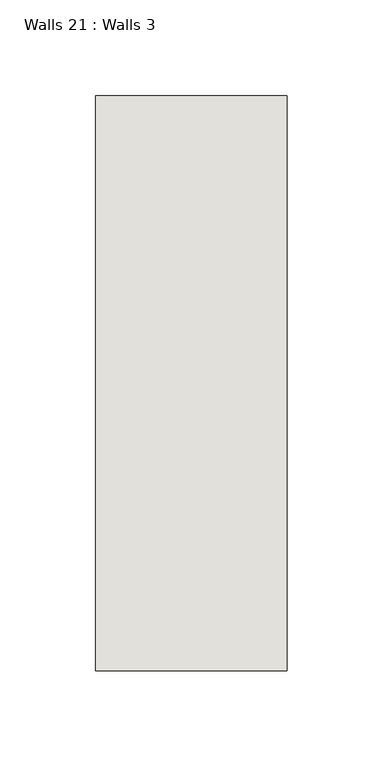
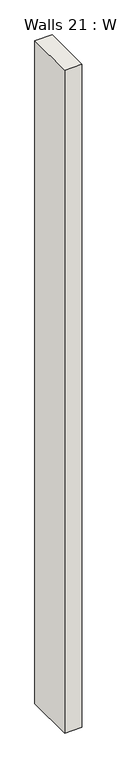
"""IFC4 building model written with IfcOpenShell, lengths in millimetres: wall geometry, Walls 21 : Walls 3."""

import ifcopenshell
import ifcopenshell.guid

model = None  # the IFC model being written
_history = None  # IfcOwnerHistory: only IFC2X3 demands one
_inside = {}  # id of a spatial element -> (the spatial element, [elements in it])
_under = {}  # id of a project, library or spatial element -> (it, [spatial elements below it])
_declared = {}  # id of a project -> (the project, [libraries it declares])
_typed = {}  # id of a type object -> (the type object, [elements of that type])
_made_of = {}  # id of a material, layer set ... -> (it, [elements and type objects made of it])


def new_model(schema):
    """Start an empty IFC model of exactly this schema.

    Asked for "IFC4X3", IfcOpenShell would pick the latest addendum, in which some entities
    have other attributes; the version numbers below select the first issue.
    IFC2X3 requires an IfcOwnerHistory on every rooted entity: one is made here for all.
    """
    global model, _history
    if schema == "IFC4X3":
        model = ifcopenshell.file(schema_version=(4, 3, 0, 0))
    else:
        model = ifcopenshell.file(schema=schema)
    _inside.clear()
    _under.clear()
    _declared.clear()
    _typed.clear()
    _made_of.clear()
    _history = None
    if model.schema == "IFC2X3":
        org = make("IfcOrganization", Name="unknown")
        user = make(
            "IfcPersonAndOrganization",
            ThePerson=make("IfcPerson", FamilyName="unknown"),
            TheOrganization=org,
        )
        app = make(
            "IfcApplication",
            ApplicationDeveloper=org,
            Version="unknown",
            ApplicationFullName="unknown",
            ApplicationIdentifier="unknown",
        )
        _history = make(
            "IfcOwnerHistory",
            OwningUser=user,
            OwningApplication=app,
            ChangeAction="ADDED",
            CreationDate=0,
        )
    return model


def make(cls, **values):
    """One entity of the class cls with the attributes given. An attribute that is None is left unset."""
    return model.create_entity(
        cls, **{name: value for name, value in values.items() if value is not None}
    )


def rooted(cls, **values):
    """An entity with a GlobalId (a new one), such as an element, a storey or a relation."""
    return make(cls, GlobalId=ifcopenshell.guid.new(), OwnerHistory=_history, **values)


def si_unit(unit_type, name, prefix=None):
    """IfcSIUnit, for example si_unit("LENGTHUNIT", "METRE", prefix="MILLI")."""
    return make("IfcSIUnit", UnitType=unit_type, Prefix=prefix, Name=name)


def assignment(units):
    """IfcUnitAssignment: the units of a project."""
    return None if units is None else make("IfcUnitAssignment", Units=units)


def point(xyz):
    """IfcCartesianPoint."""
    return None if xyz is None else make("IfcCartesianPoint", Coordinates=xyz)


def direction(xyz):
    """IfcDirection."""
    return None if xyz is None else make("IfcDirection", DirectionRatios=xyz)


def frame(location, z_axis=None, x_axis=None):
    """IfcAxis2Placement3D, a coordinate frame: its origin and axes. An axis left out is left unset."""
    return make(
        "IfcAxis2Placement3D",
        Location=point(location),
        Axis=direction(z_axis),
        RefDirection=direction(x_axis),
    )


def origin():
    """The frame at (0, 0, 0) with its axes left unset."""
    return frame((0.0, 0.0, 0.0))


def origin_with_axes():
    """The frame at (0, 0, 0) with the z axis (0, 0, 1) and the x axis (1, 0, 0) written out."""
    return frame((0.0, 0.0, 0.0), z_axis=(0.0, 0.0, 1.0), x_axis=(1.0, 0.0, 0.0))


def place(relative_to, where):
    """IfcLocalPlacement: puts the frame where relative to a parent placement (None: the world)."""
    return make(
        "IfcLocalPlacement", PlacementRelTo=relative_to, RelativePlacement=where
    )


def context(
    kind, dimensions, precision=None, world=None, true_north=None, identifier=None
):
    """IfcGeometricRepresentationContext, for example the 3D "Model" context."""
    return make(
        "IfcGeometricRepresentationContext",
        ContextIdentifier=identifier,
        ContextType=kind,
        CoordinateSpaceDimension=dimensions,
        Precision=precision,
        WorldCoordinateSystem=world,
        TrueNorth=true_north,
    )


def project(units=None, contexts=None):
    """IfcProject with its units and contexts."""
    return rooted(
        "IfcProject",
        Name="project",
        RepresentationContexts=contexts,
        UnitsInContext=assignment(units),
    )


def spatial(cls, under=None, at=None, **own):
    """A site, building, storey or space (cls), placed at a placement, below another one or the project."""
    s = rooted(cls, ObjectPlacement=at, **own)
    if under is not None:
        _under.setdefault(under.id(), (under, []))[1].append(s)
    return s


def polyline(points):
    """IfcPolyline through the points."""
    return make("IfcPolyline", Points=[point(p) for p in points])


def outline(outer, holes=None, kind="AREA"):
    """IfcArbitraryClosedProfileDef: a profile drawn as a closed curve; with holes, ...WithVoids."""
    if holes is None:
        return make("IfcArbitraryClosedProfileDef", ProfileType=kind, OuterCurve=outer)
    return make(
        "IfcArbitraryProfileDefWithVoids",
        ProfileType=kind,
        OuterCurve=outer,
        InnerCurves=holes,
    )


def extrude(swept, where, along, depth):
    """IfcExtrudedAreaSolid: the profile swept, set in the frame where, extruded along a direction by depth."""
    return make(
        "IfcExtrudedAreaSolid",
        SweptArea=swept,
        Position=where,
        ExtrudedDirection=direction(along),
        Depth=depth,
    )


def shape(context_of_items, identifier, shape_type, items):
    """IfcShapeRepresentation: the items that make up one representation, for example the "Body"."""
    return make(
        "IfcShapeRepresentation",
        ContextOfItems=context_of_items,
        RepresentationIdentifier=identifier,
        RepresentationType=shape_type,
        Items=items,
    )


def source(mapping_origin, context_of_items, identifier, shape_type, items):
    """IfcRepresentationMap: a shape defined once, which mapped items show again and again."""
    return make(
        "IfcRepresentationMap",
        MappingOrigin=mapping_origin,
        MappedRepresentation=shape(context_of_items, identifier, shape_type, items),
    )


def transform(
    local_origin,
    x_axis=None,
    y_axis=None,
    z_axis=None,
    scale=None,
    scale2=None,
    scale3=None,
    uniform=True,
):
    """IfcCartesianTransformationOperator3D, or its non-uniform kind. x_axis, y_axis, z_axis: its Axis1, 2, 3."""
    if uniform:
        return make(
            "IfcCartesianTransformationOperator3D",
            Axis1=direction(x_axis),
            Axis2=direction(y_axis),
            LocalOrigin=point(local_origin),
            Scale=scale,
            Axis3=direction(z_axis),
        )
    return make(
        "IfcCartesianTransformationOperator3DnonUniform",
        Axis1=direction(x_axis),
        Axis2=direction(y_axis),
        LocalOrigin=point(local_origin),
        Scale=scale,
        Axis3=direction(z_axis),
        Scale2=scale2,
        Scale3=scale3,
    )


def mapped(mapping_source, mapping_target):
    """IfcMappedItem: shows the shape of a source again, moved by a transform."""
    return make(
        "IfcMappedItem", MappingSource=mapping_source, MappingTarget=mapping_target
    )


def made_of(thing, what):
    """Note that an element or type object is made of a material, layer set ...; save() writes the relation."""
    if what is not None:
        _made_of.setdefault(what.id(), (what, []))[1].append(thing)
    return thing


def element(
    cls,
    number,
    at=None,
    inside=None,
    cuts=None,
    type_object=None,
    material=None,
    context=None,
    identifier="Body",
    shape_type=None,
    held_by="IfcProductDefinitionShape",
    body=None,
    shapes=None,
    **own,
):
    """One element of the class cls, such as IfcWall. Its Tag is "e" and its number.

    at: its placement. inside: the storey or other place that contains it. cuts: it is an
    opening in that element (IfcRelVoidsElement). A single representation is given by context,
    identifier, shape_type and body (its items); several are given by shapes. held_by: the class
    of the entity that holds the representations. save() writes the other relations.
    """
    e = rooted(cls, Tag="e%d" % number, ObjectPlacement=at, **own)
    if body is not None:
        shapes = [shape(context, identifier, shape_type, body)]
    if shapes is not None:
        e.Representation = make(held_by, Representations=shapes)
    if inside is not None:
        _inside.setdefault(inside.id(), (inside, []))[1].append(e)
    if cuts is not None:
        rooted(
            "IfcRelVoidsElement", RelatingBuildingElement=cuts, RelatedOpeningElement=e
        )
    if type_object is not None:
        _typed.setdefault(type_object.id(), (type_object, []))[1].append(e)
    return made_of(e, material)


def aggregate(whole, parts):
    """IfcRelAggregates: a whole, such as a stair, and the parts it consists of."""
    return rooted("IfcRelAggregates", RelatingObject=whole, RelatedObjects=parts)


def save(model, path):
    """Write the relations noted so far, then the file.

    IfcRelAggregates (storeys below a building ...), IfcRelContainedInSpatialStructure (elements
    in a storey), IfcRelDefinesByType, IfcRelAssociatesMaterial and IfcRelDeclares: one each for
    every whole, place, type object, material and project.
    """
    for whole, parts in _under.values():
        aggregate(whole, parts)
    for where, things in _inside.values():
        rooted(
            "IfcRelContainedInSpatialStructure",
            RelatedElements=things,
            RelatingStructure=where,
        )
    for kind, things in _typed.values():
        rooted("IfcRelDefinesByType", RelatedObjects=things, RelatingType=kind)
    for what, things in _made_of.values():
        rooted("IfcRelAssociatesMaterial", RelatedObjects=things, RelatingMaterial=what)
    for by, libraries in _declared.values():
        rooted("IfcRelDeclares", RelatingContext=by, RelatedDefinitions=libraries)
    model.write(path)


def walls_21_walls_3_4099954c(model_context):
    return source(origin(), model_context, "Body", "SweptSolid", [
        extrude(outline(polyline([(-5012.3812655, 1518.41264), (-5012.3812655, 1818.41264), (-4912.3812655, 1818.41264), (-4912.3812655, 1518.41264), (-5012.3812655, 1518.41264)])), origin_with_axes(), (0.0, 0.0, 1.0), 4085.1192828),
    ])


if __name__ == "__main__":
    model = new_model("IFC4")
    model_context = context("Model", 3, world=origin())
    ifc_project = project(units=[si_unit("LENGTHUNIT", "METRE", prefix="MILLI")], contexts=[model_context])
    site = spatial("IfcSite", under=ifc_project)
    building = spatial("IfcBuilding", under=site)
    placement = place(None, origin())
    walls_21_walls_3_shape = walls_21_walls_3_4099954c(model_context)
    element("IfcWall", 1, ObjectType="Walls 21 : Walls 3", at=placement, inside=building, context=model_context, shape_type="MappedRepresentation", body=[
        mapped(walls_21_walls_3_shape, transform((0.0, 0.0, 0.0), x_axis=(1.0, 0.0, 0.0), y_axis=(0.0, 1.0, 0.0), z_axis=(0.0, 0.0, 1.0))),
    ])
    save(model, "model.ifc")
